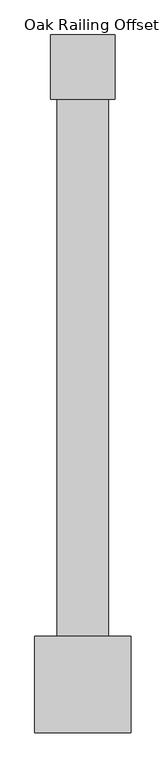
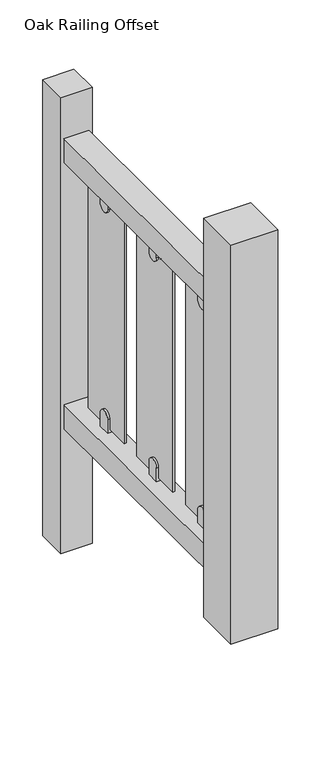
"""IFC4 building model written with IfcOpenShell, lengths in millimetres: railing geometry, Oak Railing Offset."""

from ifc_helpers import new_model, si_unit, point, frame, frame_2d, origin, place, context, project, spatial, polyline, circle_curve, trimmed, segment, composite_curve, outline, extrude, source, transform, mapped, element, save


def oak_railing_offset_faea3e14(model_context):
    return source(origin(), model_context, "Body", "SweptSolid", [
        extrude(outline(polyline([(486.143654, 3022.9535034), (406.143654, 3022.9535034), (406.143654, 3982.9535034), (486.143654, 3982.9535034), (486.143654, 3022.9535034)])), frame((0.0, 0.0, 820.0), z_axis=(0.0, 0.0, 1.0), x_axis=(1.0, 0.0, 0.0)), (0.0, 0.0, 1.0), 80.0),
        extrude(outline(polyline([(486.143654, 3022.9535034), (406.143654, 3022.9535034), (406.143654, 3982.9535034), (486.143654, 3982.9535034), (486.143654, 3022.9535034)])), frame((0.0, 0.0, -80.0), z_axis=(0.0, 0.0, 1.0), x_axis=(1.0, 0.0, 0.0)), (0.0, 0.0, 1.0), 80.0),
        extrude(outline(composite_curve([segment(polyline([(3742.9535034, 810.9791886), (3782.9535034, 810.9791886), (3782.9535034, 765.3149347)]), True, "CONTINUOUS"), segment(trimmed(circle_curve(frame_2d((3762.9535034, 765.3149347)), 20.0), [point((3782.9535034, 765.3149347))], [point((3742.9535034, 765.3149347))], False, "CARTESIAN"), True, "CONTINUOUS"), segment(polyline([(3742.9535034, 765.3149347), (3742.9535034, 810.9791886)]), True, "CONTINUOUS")], self_intersect=False)), frame((436.143654, 0.0, 0.0), z_axis=(1.0, 0.0, 0.0), x_axis=(0.0, 1.0, 0.0)), (0.0, 0.0, 1.0), 20.0),
        extrude(outline(composite_curve([segment(polyline([(3782.9535034, 9.0208114), (3742.9535034, 9.0208114), (3742.9535034, 54.6850653)]), True, "CONTINUOUS"), segment(trimmed(circle_curve(frame_2d((3762.9535034, 54.6850653)), 20.0), [point((3742.9535034, 54.6850653))], [point((3782.9535034, 54.6850653))], False, "CARTESIAN"), True, "CONTINUOUS"), segment(polyline([(3782.9535034, 54.6850653), (3782.9535034, 9.0208114)]), True, "CONTINUOUS")], self_intersect=False)), frame((436.143654, 0.0, 0.0), z_axis=(1.0, 0.0, 0.0), x_axis=(0.0, 1.0, 0.0)), (0.0, 0.0, 1.0), 20.0),
        extrude(outline(polyline([(449.143654, 3662.9535034), (443.143654, 3662.9535034), (443.143654, 3862.9535034), (449.143654, 3862.9535034), (449.143654, 3662.9535034)])), frame((0.0, 0.0, 20.0), z_axis=(0.0, 0.0, 1.0), x_axis=(1.0, 0.0, 0.0)), (0.0, 0.0, 1.0), 780.0),
        extrude(outline(composite_curve([segment(polyline([(3472.9535034, 810.9791886), (3512.9535034, 810.9791886), (3512.9535034, 765.3149347)]), True, "CONTINUOUS"), segment(trimmed(circle_curve(frame_2d((3492.9535034, 765.3149347)), 20.0), [point((3512.9535034, 765.3149347))], [point((3472.9535034, 765.3149347))], False, "CARTESIAN"), True, "CONTINUOUS"), segment(polyline([(3472.9535034, 765.3149347), (3472.9535034, 810.9791886)]), True, "CONTINUOUS")], self_intersect=False)), frame((436.143654, 0.0, 0.0), z_axis=(1.0, 0.0, 0.0), x_axis=(0.0, 1.0, 0.0)), (0.0, 0.0, 1.0), 20.0),
        extrude(outline(composite_curve([segment(polyline([(3512.9535034, 9.0208114), (3472.9535034, 9.0208114), (3472.9535034, 54.6850653)]), True, "CONTINUOUS"), segment(trimmed(circle_curve(frame_2d((3492.9535034, 54.6850653)), 20.0), [point((3472.9535034, 54.6850653))], [point((3512.9535034, 54.6850653))], False, "CARTESIAN"), True, "CONTINUOUS"), segment(polyline([(3512.9535034, 54.6850653), (3512.9535034, 9.0208114)]), True, "CONTINUOUS")], self_intersect=False)), frame((436.143654, 0.0, 0.0), z_axis=(1.0, 0.0, 0.0), x_axis=(0.0, 1.0, 0.0)), (0.0, 0.0, 1.0), 20.0),
        extrude(outline(polyline([(449.143654, 3392.9535034), (443.143654, 3392.9535034), (443.143654, 3592.9535034), (449.143654, 3592.9535034), (449.143654, 3392.9535034)])), frame((0.0, 0.0, 20.0), z_axis=(0.0, 0.0, 1.0), x_axis=(1.0, 0.0, 0.0)), (0.0, 0.0, 1.0), 780.0),
        extrude(outline(composite_curve([segment(polyline([(3202.9535034, 810.9791886), (3242.9535034, 810.9791886), (3242.9535034, 765.3149347)]), True, "CONTINUOUS"), segment(trimmed(circle_curve(frame_2d((3222.9535034, 765.3149347)), 20.0), [point((3242.9535034, 765.3149347))], [point((3202.9535034, 765.3149347))], False, "CARTESIAN"), True, "CONTINUOUS"), segment(polyline([(3202.9535034, 765.3149347), (3202.9535034, 810.9791886)]), True, "CONTINUOUS")], self_intersect=False)), frame((436.143654, 0.0, 0.0), z_axis=(1.0, 0.0, 0.0), x_axis=(0.0, 1.0, 0.0)), (0.0, 0.0, 1.0), 20.0),
        extrude(outline(composite_curve([segment(polyline([(3242.9535034, 9.0208114), (3202.9535034, 9.0208114), (3202.9535034, 54.6850653)]), True, "CONTINUOUS"), segment(trimmed(circle_curve(frame_2d((3222.9535034, 54.6850653)), 20.0), [point((3202.9535034, 54.6850653))], [point((3242.9535034, 54.6850653))], False, "CARTESIAN"), True, "CONTINUOUS"), segment(polyline([(3242.9535034, 54.6850653), (3242.9535034, 9.0208114)]), True, "CONTINUOUS")], self_intersect=False)), frame((436.143654, 0.0, 0.0), z_axis=(1.0, 0.0, 0.0), x_axis=(0.0, 1.0, 0.0)), (0.0, 0.0, 1.0), 20.0),
        extrude(outline(polyline([(449.143654, 3122.9535034), (443.143654, 3122.9535034), (443.143654, 3322.9535034), (449.143654, 3322.9535034), (449.143654, 3122.9535034)])), frame((0.0, 0.0, 20.0), z_axis=(0.0, 0.0, 1.0), x_axis=(1.0, 0.0, 0.0)), (0.0, 0.0, 1.0), 780.0),
        extrude(outline(polyline([(496.143654, 3932.9535034), (396.143654, 3932.9535034), (396.143654, 4032.9535034), (496.143654, 4032.9535034), (496.143654, 3932.9535034)])), frame((0.0, 0.0, -500.0), z_axis=(0.0, 0.0, 1.0), x_axis=(1.0, 0.0, 0.0)), (0.0, 0.0, 1.0), 1542.0),
        extrude(outline(polyline([(521.143654, 2947.9535034), (371.143654, 2947.9535034), (371.143654, 3097.9535034), (521.143654, 3097.9535034), (521.143654, 2947.9535034)])), frame((0.0, 0.0, -200.0), z_axis=(0.0, 0.0, 1.0), x_axis=(1.0, 0.0, 0.0)), (0.0, 0.0, 1.0), 1350.0),
    ])


if __name__ == "__main__":
    model = new_model("IFC4")
    model_context = context("Model", 3, world=origin())
    ifc_project = project(units=[si_unit("LENGTHUNIT", "METRE", prefix="MILLI")], contexts=[model_context])
    site = spatial("IfcSite", under=ifc_project)
    building = spatial("IfcBuilding", under=site)
    placement = place(None, origin())
    oak_railing_offset_shape = oak_railing_offset_faea3e14(model_context)
    element("IfcRailing", 1, ObjectType="Oak Railing Offset", at=placement, inside=building, context=model_context, shape_type="MappedRepresentation", body=[
        mapped(oak_railing_offset_shape, transform((0.0, 0.0, 0.0), x_axis=(1.0, 0.0, 0.0), y_axis=(0.0, 1.0, 0.0), z_axis=(0.0, 0.0, 1.0))),
    ])
    save(model, "model.ifc")
